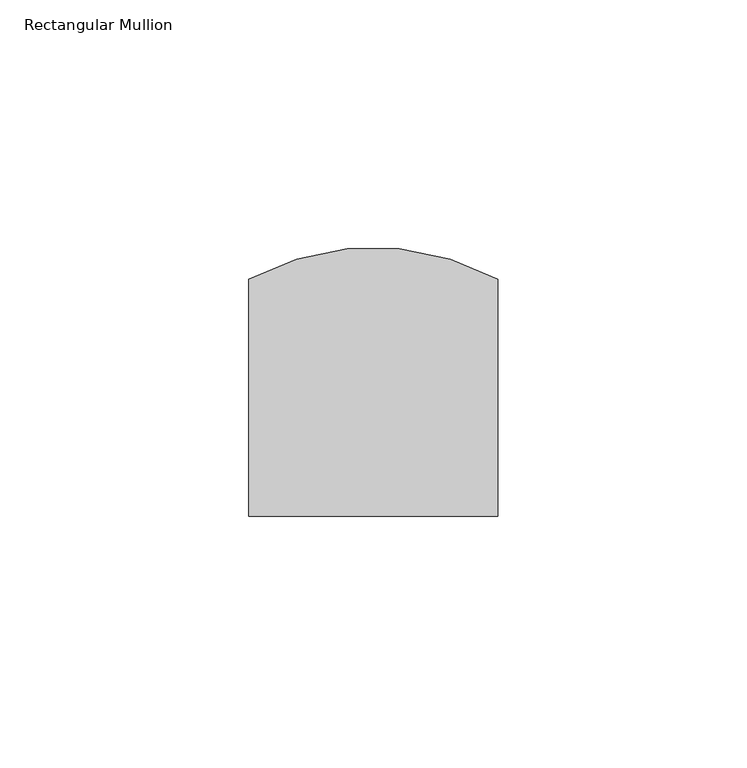
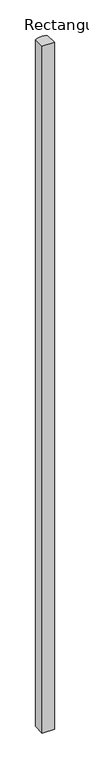
"""IFC4 building model written with IfcOpenShell, lengths in millimetres: member geometry, Rectangular Mullion."""

from ifc_helpers import new_model, si_unit, point, frame, frame_2d, origin, place, context, project, spatial, polyline, circle_curve, trimmed, segment, composite_curve, outline, extrude, source, transform, mapped, element, save


def rectangular_mullion_30d66a46(model_context):
    return source(origin(), model_context, "Body", "SweptSolid", [
        extrude(outline(composite_curve([segment(polyline([(25.0, 0.0), (-25.0, 0.0), (-25.0, 47.6956261)]), True, "CONTINUOUS"), segment(trimmed(circle_curve(frame_2d((0.0, 1.2790523)), 52.7209477), [point((-25.0, 47.6956261))], [point((25.0, 47.6956261))], False, "CARTESIAN"), True, "CONTINUOUS"), segment(polyline([(25.0, 47.6956261), (25.0, 0.0)]), True, "CONTINUOUS")], self_intersect=False)), frame((0.0, 0.0, -3000.0), z_axis=(0.0, 0.0, 1.0), x_axis=(1.0, 0.0, 0.0)), (0.0, 0.0, 1.0), 3000.0),
    ])


if __name__ == "__main__":
    model = new_model("IFC4")
    model_context = context("Model", 3, world=origin())
    ifc_project = project(units=[si_unit("LENGTHUNIT", "METRE", prefix="MILLI")], contexts=[model_context])
    site = spatial("IfcSite", under=ifc_project)
    building = spatial("IfcBuilding", under=site)
    placement = place(None, origin())
    rectangular_mullion_shape = rectangular_mullion_30d66a46(model_context)
    element("IfcMember", 1, ObjectType="Rectangular Mullion", at=placement, inside=building, context=model_context, shape_type="MappedRepresentation", body=[
        mapped(rectangular_mullion_shape, transform((0.0, 0.0, 0.0), x_axis=(1.0, 0.0, 0.0), y_axis=(0.0, 1.0, 0.0), z_axis=(0.0, 0.0, 1.0))),
    ])
    save(model, "model.ifc")
